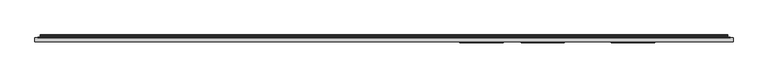
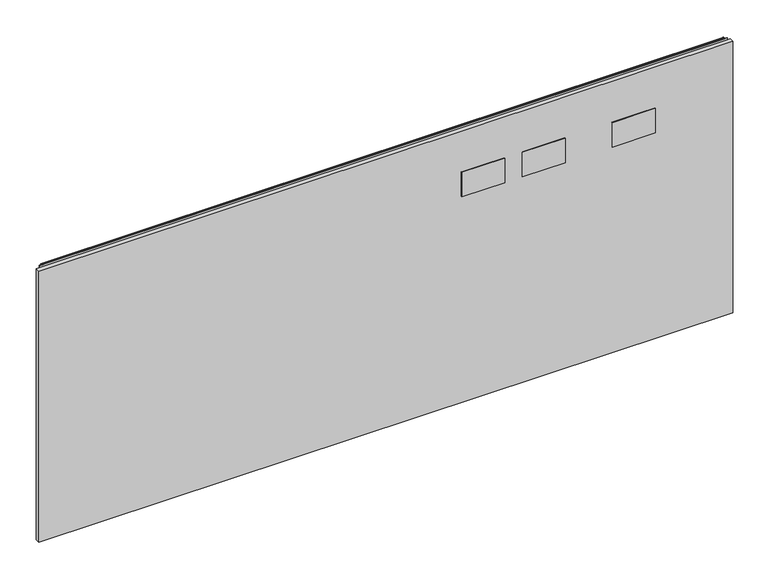
"""IFC4 building model written with IfcOpenShell, lengths in millimetres: furniture geometry."""

from ifc_helpers import new_model, si_unit, point, frame, frame_2d, origin, place, context, project, spatial, polyline, circle_curve, trimmed, segment, composite_curve, outline, extrude, source, transform, mapped, element, save


def furniture_759f56be(model_context):
    return source(origin(), model_context, "Body", "SweptSolid", [
        extrude(outline(polyline([(1.778, 1.45288), (1.778, 10.9778796), (1522.2219835, 10.9778796), (1522.2219835, 1.45288), (1.778, 1.45288)])), frame((0.0, 0.0, 103.1748), z_axis=(0.0, 0.0, 1.0), x_axis=(1.0, 0.0, 0.0)), (0.0, 0.0, 1.0), 628.5991897),
        extrude(outline(polyline([(1021.461016, -0.57912), (927.227015, -0.57912), (927.227015, 1.45288), (1021.461016, 1.45288), (1021.461016, -0.57912)])), frame((0.0, 0.0, 581.126608), z_axis=(0.0, 0.0, 1.0), x_axis=(1.0, 0.0, 0.0)), (0.0, 0.0, 1.0), 56.6420005),
        extrude(outline(polyline([(1154.811016, -0.57912), (1060.577015, -0.57912), (1060.577015, 1.45288), (1154.811016, 1.45288), (1154.811016, -0.57912)])), frame((0.0, 0.0, 581.126608), z_axis=(0.0, 0.0, 1.0), x_axis=(1.0, 0.0, 0.0)), (0.0, 0.0, 1.0), 56.6420005),
        extrude(outline(polyline([(1351.6610281, -0.57912), (1257.4270271, -0.57912), (1257.4270271, 1.45288), (1351.6610281, 1.45288), (1351.6610281, -0.57912)])), frame((0.0, 0.0, 581.126608), z_axis=(0.0, 0.0, 1.0), x_axis=(1.0, 0.0, 0.0)), (0.0, 0.0, 1.0), 56.6420005),
        extrude(outline(composite_curve([segment(polyline([(10.9778796, 736.2000051), (10.9778796, 737.142493)]), True, "CONTINUOUS"), segment(trimmed(circle_curve(frame_2d((11.6164846, 737.142493)), 0.638605), [point((10.9778796, 737.142493))], [point((11.6164846, 737.781098))], False, "CARTESIAN"), True, "CONTINUOUS"), segment(polyline([(11.6164846, 737.781098), (13.251317, 737.781098)]), True, "CONTINUOUS"), segment(trimmed(circle_curve(frame_2d((13.251317, 735.407778)), 2.37332), [point((13.251317, 737.781098))], [point((15.6071079, 735.1198601))], False, "CARTESIAN"), True, "CONTINUOUS"), segment(polyline([(15.6071079, 735.1198601), (15.2080413, 731.8546313)]), True, "CONTINUOUS"), segment(trimmed(circle_curve(frame_2d((17.5068753, 731.5736746)), 2.3159393), [point((15.2080413, 731.8546313))], [point((15.5012134, 730.4157044))], True, "CARTESIAN"), True, "CONTINUOUS"), segment(polyline([(15.5012134, 730.4157044), (16.6600675, 728.4085113), (15.9781592, 728.0148112), (14.819305, 730.0220043)]), True, "CONTINUOUS"), segment(trimmed(circle_curve(frame_2d((17.5068753, 731.5736746)), 3.1033393), [point((14.819305, 730.0220043))], [point((14.4264569, 731.9501543))], False, "CARTESIAN"), True, "CONTINUOUS"), segment(polyline([(14.4264569, 731.9501543), (14.8255236, 735.2153831)]), True, "CONTINUOUS"), segment(trimmed(circle_curve(frame_2d((13.251317, 735.407778)), 1.58592), [point((14.8255236, 735.2153831))], [point((13.251317, 736.993698))], True, "CARTESIAN"), True, "CONTINUOUS"), segment(polyline([(13.251317, 736.993698), (11.7652796, 736.993698), (11.7652796, 736.2000051), (10.9778796, 736.2000051)]), True, "CONTINUOUS")], self_intersect=False)), frame((13.7160002, 0.0, 0.0), z_axis=(1.0, 0.0, 0.0), x_axis=(0.0, 1.0, 0.0)), (0.0, 0.0, 1.0), 1496.5680076),
        extrude(outline(polyline([(8.1280002, 10.9778796), (8.1280002, 11.7652796), (1515.8720078, 11.7652796), (1515.8720078, 10.9778796), (8.1280002, 10.9778796)])), frame((0.0, 0.0, 705.9168108), z_axis=(0.0, 0.0, 1.0), x_axis=(1.0, 0.0, 0.0)), (0.0, 0.0, 1.0), 30.8009179),
    ])


if __name__ == "__main__":
    model = new_model("IFC4")
    model_context = context("Model", 3, world=origin())
    ifc_project = project(units=[si_unit("LENGTHUNIT", "METRE", prefix="MILLI")], contexts=[model_context])
    site = spatial("IfcSite", under=ifc_project)
    building = spatial("IfcBuilding", under=site)
    placement = place(None, origin())
    furniture_shape = furniture_759f56be(model_context)
    element("IfcFurniture", 1, at=placement, inside=building, context=model_context, shape_type="MappedRepresentation", body=[
        mapped(furniture_shape, transform((0.0, 0.0, 0.0), x_axis=(1.0, 0.0, 0.0), y_axis=(0.0, 1.0, 0.0), z_axis=(0.0, 0.0, 1.0))),
    ])
    save(model, "model.ifc")
